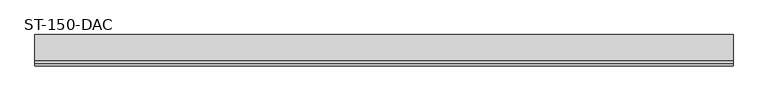
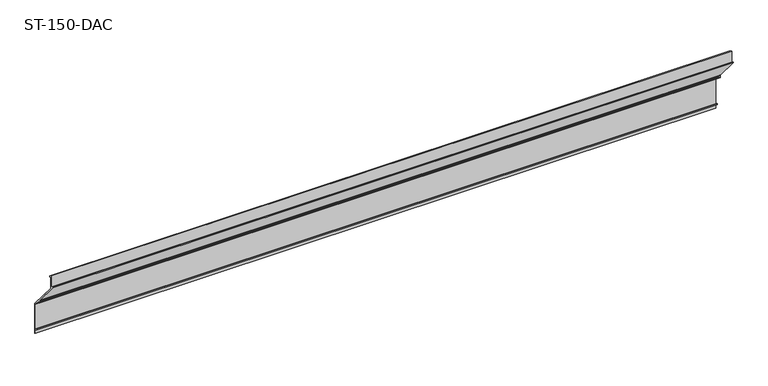
"""IFC4 building model written with IfcOpenShell, lengths in millimetres: plate geometry, ST-150-DAC."""

from ifc_helpers import new_model, si_unit, frame, origin, place, context, project, spatial, polyline, circle_curve, source, transform, mapped, element, save
from ifc_brep_helpers import plane_surface, cylinder_surface, revolved_surface, advanced_brep


def st_150_dac_f0922a3e(model_context):
    return source(origin(), model_context, "Body", "AdvancedBrep", [
        advanced_brep(
        [(-750.0, 10.5, -2.8867513), (-750.0, 10.5, -5.1961524), (-750.0, 7.5, -3.4641016), (-750.0, 7.5, -29.8608098), (-750.0, 67.5, -101.3660254), (-750.0, 67.5, -170.7320508), (-750.0, 65.3, -169.4618802), (-750.0, 65.3, -161.7329894), (-750.0, 60.5, -158.9617081), (-750.0, 60.5, -156.652307), (-750.0, 65.3, -159.4235883), (-750.0, 65.3, -102.1667599), (-750.0, 53.4410954, -88.0338678), (-750.0, 50.7936662, -86.1593194), (-750.0, 50.1645793, -86.4704027), (-750.0, 51.3578803, -89.2816437), (-750.0, 49.3523152, -88.9280085), (-750.0, 48.6457901, -87.3411272), (-750.0, 48.9295391, -85.1687363), (-750.0, 48.9047741, -82.6276906), (-750.0, 0.0, -24.3452503), (-750.0, 0.0, -22.3938172), (-750.0, 5.5, -25.5692436), (-750.0, 5.5, 0.0), (749.7321324, 10.5, -2.8867513), (749.7321324, 5.5, 0.0), (749.7321324, 5.5, -25.5692436), (749.7321324, 0.0, -22.3938172), (749.7321324, 0.0, -24.3452503), (749.7321324, 48.9047741, -82.6276906), (749.7321324, 48.9295391, -85.1687363), (749.7321324, 48.6457901, -87.3411272), (749.7321324, 49.3523152, -88.9280085), (749.7321324, 51.3578803, -89.2816437), (749.7321324, 50.1645793, -86.4704027), (749.7321324, 50.7936662, -86.1593194), (749.7321324, 53.3448614, -87.9456856), (749.7321324, 65.3, -102.1667599), (749.7321324, 65.3, -159.4235883), (749.7321324, 60.5, -156.652307), (749.7321324, 60.5, -158.9617081), (749.7321324, 65.3, -161.7329894), (749.7321324, 65.3, -169.4618802), (749.7321324, 67.5, -170.7320508), (749.7321324, 67.5, -101.3660254), (749.7321324, 7.5, -29.8608098), (749.7321324, 7.5, -3.4641016), (749.7321324, 10.5, -5.1961524)],
        [
            (0, 1),
            (1, 2),
            (2, 3),
            (3, 4),
            (4, 5),
            (5, 6),
            (6, 7),
            (7, 8),
            (8, 9),
            (9, 10),
            (10, 11),
            (11, 12),
            (12, 13),
            (13, 14, circle_curve(frame((-750.0, 50.5642356, -86.4869803), z_axis=(1.0, 0.0, 0.0), x_axis=(0.0, 0.5735764363483686, 0.8191520442908666)), 0.4)),
            (14, 15),
            (15, 16),
            (16, 17),
            (17, 18, circle_curve(frame((-750.0, 50.5642356, -86.4869803), z_axis=(-1.0, 0.0, 0.0), x_axis=(0.0, -0.9135454576530666, -0.4067366430522938)), 2.1)),
            (18, 19, circle_curve(frame((-750.0, 47.3726852, -83.9132658), z_axis=(1.0, 0.0, 0.0), x_axis=(0.0, 0.7784269225063075, -0.627735235841799)), 2.0)),
            (19, 20),
            (20, 21),
            (21, 22),
            (22, 23),
            (23, 0),
            (24, 25),
            (25, 26),
            (26, 27),
            (27, 28),
            (28, 29),
            (29, 30, circle_curve(frame((749.7321324, 47.3726852, -83.9132658), z_axis=(-1.0, 0.0, 0.0), x_axis=(0.0, 0.7784269225063075, -0.627735235841799)), 2.0)),
            (30, 31, circle_curve(frame((749.7321324, 50.5642356, -86.4869803), z_axis=(1.0, 0.0, 0.0), x_axis=(0.0, -0.9135454576530666, -0.4067366430522938)), 2.1)),
            (31, 32),
            (32, 33),
            (33, 34),
            (34, 35, circle_curve(frame((749.7321324, 50.5642356, -86.4869803), z_axis=(-1.0, 0.0, 0.0), x_axis=(0.0, 0.5735764363483686, 0.8191520442908666)), 0.4)),
            (35, 36),
            (36, 37),
            (37, 38),
            (38, 39),
            (39, 40),
            (40, 41),
            (41, 42),
            (42, 43),
            (43, 44),
            (44, 45),
            (45, 46),
            (46, 47),
            (47, 24),
            (0, 24),
            (47, 1),
            (46, 2),
            (45, 3),
            (44, 4),
            (43, 5),
            (42, 6),
            (41, 7),
            (40, 8),
            (39, 9),
            (38, 10),
            (37, 11),
            (36, 12),
            (35, 13),
            (34, 14),
            (33, 15),
            (32, 16),
            (31, 17),
            (30, 18),
            (29, 19),
            (28, 20),
            (27, 21),
            (26, 22),
            (25, 23),
        ],
        [
            plane_surface(frame((-750.0, 0.0, 0.0), z_axis=(-1.0, 0.0, 0.0), x_axis=(0.0, 0.0, 1.0))),
            plane_surface(frame((749.7321324, 0.0, 0.0), z_axis=(1.0, 0.0, 0.0), x_axis=(0.0, 0.0, 1.0))),
            plane_surface(frame((-750.0, 10.5, -2.8867513), z_axis=(0.0, 1.0, 0.0), x_axis=(1.0, 0.0, 0.0))),
            plane_surface(frame((-750.0, 10.5, -5.1961524), z_axis=(0.0, -0.49999999999905587, -0.8660254037849837), x_axis=(1.0, 0.0, 0.0))),
            plane_surface(frame((-750.0, 7.5, -3.4641016), z_axis=(0.0, 1.0, 0.0), x_axis=(1.0, 0.0, 0.0))),
            plane_surface(frame((-750.0, 7.5, -29.8608098), z_axis=(0.0, 0.7660444431213214, 0.6427876096837466), x_axis=(1.0, 0.0, 0.0))),
            plane_surface(frame((-750.0, 67.5, -101.3660254), z_axis=(0.0, 1.0, 0.0), x_axis=(1.0, 0.0, 0.0))),
            plane_surface(frame((-750.0, 67.5, -170.7320508), z_axis=(0.0, -0.5000000000046787, -0.8660254037817375), x_axis=(1.0, 0.0, 0.0))),
            plane_surface(frame((-750.0, 65.3, -169.4618802), z_axis=(0.0, -1.0, 0.0), x_axis=(1.0, 0.0, 0.0))),
            plane_surface(frame((-750.0, 65.3, -161.7329894), z_axis=(0.0, -0.5000000000018762, -0.8660254037833556), x_axis=(1.0, 0.0, 0.0))),
            plane_surface(frame((-750.0, 60.5, -158.9617081), z_axis=(0.0, -1.0, 0.0), x_axis=(1.0, 0.0, 0.0))),
            plane_surface(frame((-750.0, 60.5, -156.652307), z_axis=(0.0, 0.5000000000015277, 0.8660254037835566), x_axis=(1.0, 0.0, 0.0))),
            plane_surface(frame((-750.0, 65.3, -159.4235883), z_axis=(0.0, -1.0, 0.0), x_axis=(1.0, 0.0, 0.0))),
            plane_surface(frame((-750.0, 65.3, -102.1667599), z_axis=(0.0, -0.7660444431212267, -0.6427876096838595), x_axis=(1.0, 0.0, 0.0))),
            plane_surface(frame((-750.0, 53.3448614, -87.9456856), z_axis=(0.0, -0.5735764363518466, -0.8191520442884314), x_axis=(1.0, 0.0, 0.0))),
            revolved_surface(polyline([(749.7321324000004, 50.793666174539354, -86.15931948228365), (-750.0, 50.793666174539354, -86.15931948228365)]), (-750.0, 50.5642356, -86.4869803), (1.0000000000000002, 0.0, 0.0)),
            plane_surface(frame((-750.0, 50.1645793, -86.4704027), z_axis=(0.0, 0.9205048534549324, 0.390731128483403), x_axis=(1.0, 0.0, 0.0))),
            plane_surface(frame((-750.0, 51.3578803, -89.2816437), z_axis=(0.0, -0.17364817766326351, -0.9848077530128546), x_axis=(1.0, 0.0, 0.0))),
            plane_surface(frame((-750.0, 49.3523152, -88.9280085), z_axis=(0.0, -0.913545457646321, -0.40673664306744467), x_axis=(1.0, 0.0, 0.0))),
            cylinder_surface(frame((-750.0, 50.5642356, -86.4869803), z_axis=(-1.0, 0.0, 0.0), x_axis=(0.0, -0.9135454576530666, -0.4067366430522938)), 2.1),
            revolved_surface(polyline([(749.7321324, 48.92953904501262, -85.1687362716836), (-750.0, 48.92953904501262, -85.1687362716836)]), (-750.0, 47.3726852, -83.9132658), (1.0, 0.0, 0.0)),
            plane_surface(frame((-750.0, 48.9047741, -82.6276906), z_axis=(0.0, -0.7660444431213183, -0.6427876096837504), x_axis=(1.0, 0.0, 0.0))),
            plane_surface(frame((-750.0, 0.0, -24.3452503), z_axis=(0.0, -1.0, 0.0), x_axis=(1.0, 0.0, 0.0))),
            plane_surface(frame((-750.0, 0.0, -22.3938172), z_axis=(0.0, 0.50000000000142, 0.8660254037836189), x_axis=(1.0, 0.0, 0.0))),
            plane_surface(frame((-750.0, 5.5, -25.5692436), z_axis=(0.0, -1.0, 0.0), x_axis=(1.0, 0.0, 0.0))),
            plane_surface(frame((-750.0, 5.5, 0.0), z_axis=(0.0, 0.4999999999990565, 0.8660254037849835), x_axis=(1.0, 0.0, 0.0))),
        ],
        [
            (0, [[1, 2, 3, 4, 5, 6, 7, 8, 9, 10, 11, 12, 13, 14, 15, 16, 17, 18, 19, 20, 21, 22, 23, 24]]),
            (1, [[25, 26, 27, 28, 29, 30, 31, 32, 33, 34, 35, 36, 37, 38, 39, 40, 41, 42, 43, 44, 45, 46, 47, 48]]),
            (2, [[-1, 49, -48, 50]]),
            (3, [[-2, -50, -47, 51]]),
            (4, [[-3, -51, -46, 52]]),
            (5, [[-4, -52, -45, 53]]),
            (6, [[-5, -53, -44, 54]]),
            (7, [[-6, -54, -43, 55]]),
            (8, [[-7, -55, -42, 56]]),
            (9, [[-8, -56, -41, 57]]),
            (10, [[-9, -57, -40, 58]]),
            (11, [[-10, -58, -39, 59]]),
            (12, [[-11, -59, -38, 60]]),
            (13, [[-12, -60, -37, 61]]),
            (14, [[-13, -61, -36, 62]]),
            (15, [[-14, -62, -35, 63]]),
            (16, [[-15, -63, -34, 64]]),
            (17, [[-16, -64, -33, 65]]),
            (18, [[-17, -65, -32, 66]]),
            (19, [[-18, -66, -31, 67]]),
            (20, [[-19, -67, -30, 68]]),
            (21, [[-20, -68, -29, 69]]),
            (22, [[-21, -69, -28, 70]]),
            (23, [[-22, -70, -27, 71]]),
            (24, [[-23, -71, -26, 72]]),
            (25, [[-24, -72, -25, -49]]),
        ],
    ),
    ])


if __name__ == "__main__":
    model = new_model("IFC4")
    model_context = context("Model", 3, world=origin())
    ifc_project = project(units=[si_unit("LENGTHUNIT", "METRE", prefix="MILLI")], contexts=[model_context])
    site = spatial("IfcSite", under=ifc_project)
    building = spatial("IfcBuilding", under=site)
    placement = place(None, origin())
    st_150_dac_shape = st_150_dac_f0922a3e(model_context)
    element("IfcPlate", 1, ObjectType="ST-150-DAC", at=placement, inside=building, context=model_context, shape_type="MappedRepresentation", body=[
        mapped(st_150_dac_shape, transform((0.0, 0.0, 0.0), x_axis=(1.0, 0.0, 0.0), y_axis=(0.0, 1.0, 0.0), z_axis=(0.0, 0.0, 1.0))),
    ])
    save(model, "model.ifc")
